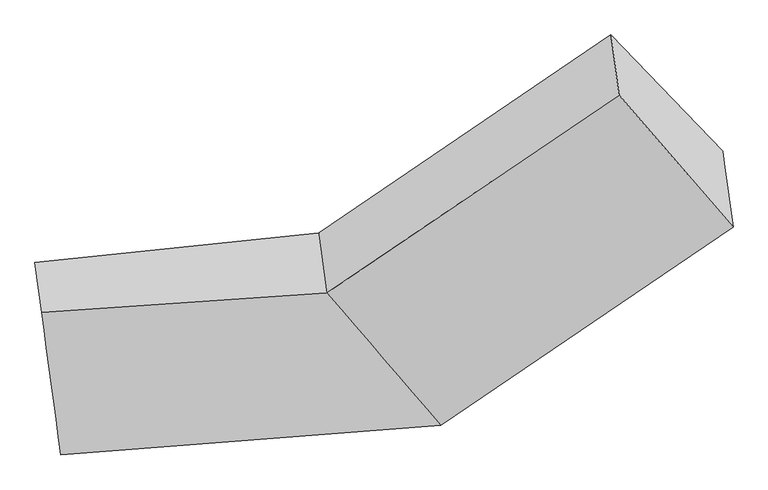
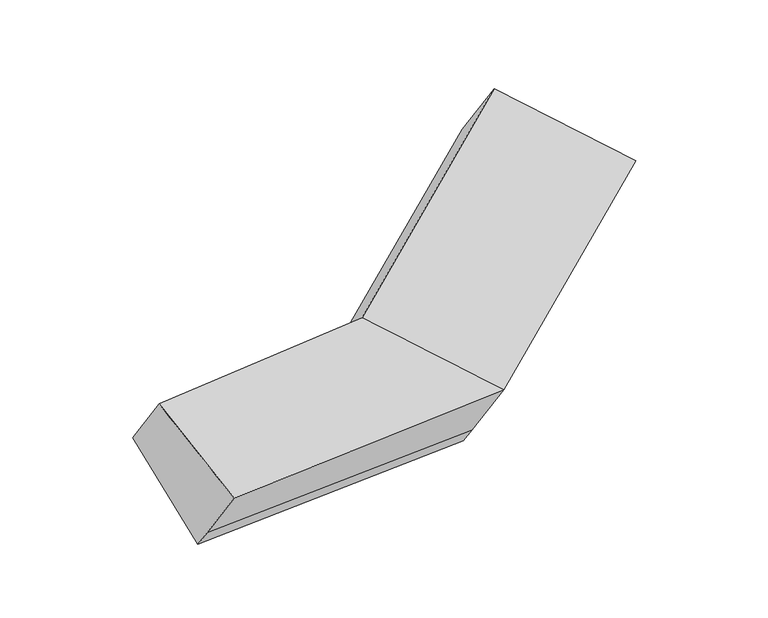
"""IFC4 building model written with IfcOpenShell, lengths in millimetres: proxy geometry."""

from ifc_helpers import new_model, si_unit, frame, origin, place, context, project, spatial, source, transform, mapped, element, save
from ifc_brep_helpers import plane_surface, spline_surface, advanced_brep


def generic_models_42829c91(model_context):
    return source(origin(), model_context, "Body", "AdvancedBrep", [
        advanced_brep(
        [(-1555.5941507, -1709.7735424, 1785.0368048), (-1523.1113142, -1951.0725373, 2150.8926552), (-152.8618479, -1856.8335822, 2205.0430085), (-191.8064055, -1567.5336432, 1766.4084619), (-1475.1676528, -2303.7532658, 1386.1387393), (345.6297807, -2126.3474549, 1350.1279441), (-1463.7109452, -2388.8595037, 1515.1762227), (355.9777746, -2203.2176053, 1466.6779291), (-1430.7075994, -2634.0251057, 1886.8945958), (394.9730888, -2492.8945898, 1905.8841494), (1760.3229369, -1250.8723318, 1965.0016224), (1749.974943, -1174.0021815, 1848.4516374), (1212.5387568, -615.1883697, 2264.7321552), (1251.4833145, -904.4883087, 2703.3667018), (1799.3182511, -1540.5493163, 2404.2078427)],
        [
            (0, 1),
            (1, 2),
            (2, 3),
            (3, 0),
            (4, 0),
            (0, 5),
            (5, 4),
            (6, 4),
            (5, 7),
            (7, 6),
            (8, 6),
            (7, 9),
            (9, 8),
            (1, 8),
            (9, 2),
            (10, 11),
            (11, 12),
            (12, 13),
            (13, 14),
            (14, 10),
            (3, 5),
            (5, 11),
            (10, 7),
            (3, 12),
            (2, 13),
            (9, 14),
        ],
        [
            plane_surface(frame((-1539.3527325, -1830.4230399, 1967.96473), z_axis=(-0.07889370932053874, 0.8289476175321687, 0.5537342593856623), x_axis=(0.07391424214640908, -0.5490725026187272, 0.8324998928984495))),
            plane_surface(frame((-1515.3809017, -2006.7634041, 1585.587772), z_axis=(-0.07001334680253826, 0.5495954231042035, -0.832492043308775), x_axis=(-0.11170346939191339, 0.8249718379642343, 0.5540250910308333))),
            plane_surface(frame((-1469.439299, -2346.3063847, 1450.657481), z_axis=(0.06990960088478429, -0.8298768694011778, -0.5535494822841323), x_axis=(-0.0739142421465951, 0.5490725026186051, -0.8324998928985136))),
            plane_surface(frame((-1447.2092723, -2511.4423047, 1701.0354092), z_axis=(0.06990960088477227, -0.829876869401092, -0.5535494822842625), x_axis=(-0.0739142421463597, 0.5490725026187594, -0.8324998928984326))),
            spline_surface(1, 1, [[(-1523.1113142, -1951.0725373, 2150.8926552), (-152.8618479, -1856.8335822, 2205.0430085)], [(-1430.7075994, -2634.0251057, 1886.8945958), (394.9730888, -2492.8945898, 1905.8841494)]], [2, 2], [2, 2], [0.0, 1.0], [0.0, 1.0]),
            plane_surface(frame((1503.3288164, -1058.5570441, 2305.1895843), z_axis=(0.7883870729114844, 0.5433916209774318, 0.2883944685974078), x_axis=(-0.07391424214640936, 0.5490725026187275, -0.8324998928984493))),
            plane_surface(frame((-1496.1451793, -2149.6561128, 1802.2406988), z_axis=(-0.9909889099953331, -0.13394347103876955, -0.0003561352949904492), x_axis=(-0.07391424214636967, 0.5490725026187472, -0.8324998928984398))),
            plane_surface(frame((-1555.5941507, -1709.7735424, 1785.0368048), z_axis=(-0.06896775165738497, 0.5524700418733471, -0.83067460660826), x_axis=(-0.610722938879804, 0.635015695175742, 0.4730460430090124))),
            plane_surface(frame((350.8037776, -2164.7825301, 1408.4029366), z_axis=(0.6030345078534931, -0.6402650677993603, -0.4758256248814013), x_axis=(-0.0739142421462214, 0.5490725026188927, -0.8324998928983569))),
            plane_surface(frame((76.9116876, -1846.9405491, 1558.268203), z_axis=(-0.07580925778721986, 0.5477646393888765, -0.8331907682331372), x_axis=(-0.6107229388798039, 0.6350156951757421, 0.47304604300901243))),
            plane_surface(frame((-172.3341267, -1712.1836127, 1985.7257352), z_axis=(-0.6030345078534968, 0.6402650677993796, 0.47582562488137076), x_axis=(0.07391424214640917, -0.5490725026187278, 0.8324998928984492))),
            plane_surface(frame((121.0556205, -2174.864086, 2055.4635789), z_axis=(-0.020344443995204964, -0.43981293029636426, 0.8978589476875816), x_axis=(0.6147333386027052, -0.7137330618958437, -0.3356903912344761))),
            plane_surface(frame((375.4754317, -2348.0560975, 1686.2810392), z_axis=(0.6030345078534964, -0.6402650677993857, -0.47582562488136304), x_axis=(-0.07391424214645922, 0.5490725026186837, -0.8324998928984738))),
        ],
        [
            (0, [[1, 2, 3, 4]]),
            (1, [[5, 6, 7]]),
            (2, [[8, -7, 9, 10]]),
            (3, [[11, -10, 12, 13]]),
            (4, [[14, -13, 15, -2]]),
            (5, [[16, 17, 18, 19, 20]]),
            (6, [[-1, -5, -8, -11, -14]]),
            (7, [[21, -6, -4]]),
            (8, [[-9, 22, -16, 23]]),
            (9, [[-21, 24, -17, -22]]),
            (10, [[-3, 25, -18, -24]]),
            (11, [[-15, 26, -19, -25]]),
            (12, [[-12, -23, -20, -26]]),
        ],
    ),
    ])


if __name__ == "__main__":
    model = new_model("IFC4")
    model_context = context("Model", 3, world=origin())
    ifc_project = project(units=[si_unit("LENGTHUNIT", "METRE", prefix="MILLI")], contexts=[model_context])
    site = spatial("IfcSite", under=ifc_project)
    building = spatial("IfcBuilding", under=site)
    placement = place(None, origin())
    generic_models_shape = generic_models_42829c91(model_context)
    element("IfcBuildingElementProxy", 1, Name="Generic Models", at=placement, inside=building, context=model_context, shape_type="MappedRepresentation", body=[
        mapped(generic_models_shape, transform((0.0, 0.0, 0.0), x_axis=(1.0, 0.0, 0.0), y_axis=(0.0, 1.0, 0.0), z_axis=(0.0, 0.0, 1.0))),
    ])
    save(model, "model.ifc")
